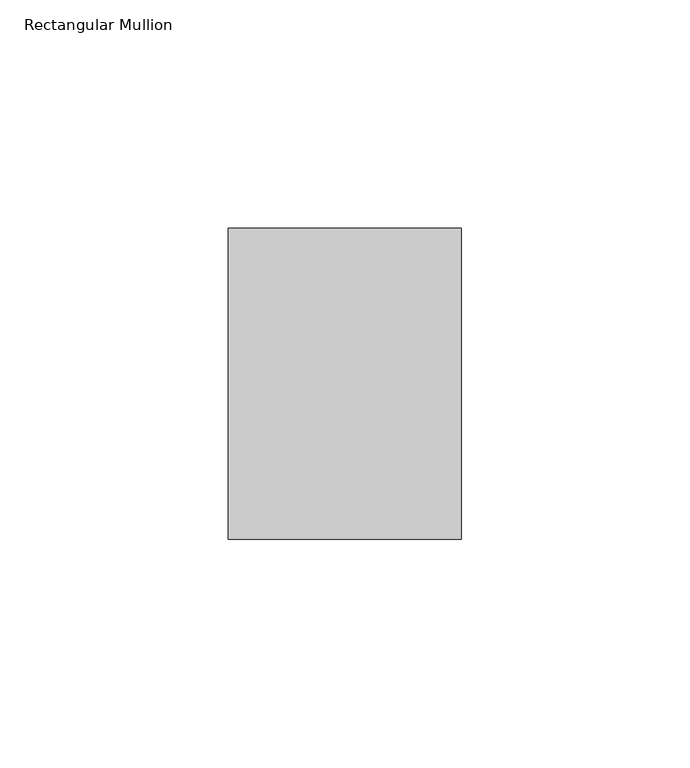
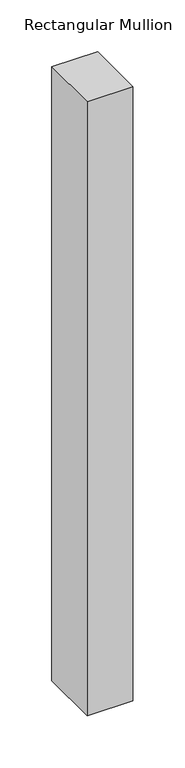
"""IFC4 building model written with IfcOpenShell, lengths in millimetres: member geometry, Rectangular Mullion."""

from ifc_helpers import new_model, si_unit, frame, origin, place, context, project, spatial, polyline, outline, extrude, source, transform, mapped, element, save


def rectangular_mullion_001e7fb7(model_context):
    return source(origin(), model_context, "Body", "SweptSolid", [
        extrude(outline(polyline([(0.0, 68.0), (0.0, 0.0), (-51.0, 0.0), (-51.0, 68.0), (0.0, 68.0)])), frame((0.0, 0.0, -724.0), z_axis=(0.0, 0.0, 1.0), x_axis=(1.0, 0.0, 0.0)), (0.0, 0.0, 1.0), 724.0),
    ])


if __name__ == "__main__":
    model = new_model("IFC4")
    model_context = context("Model", 3, world=origin())
    ifc_project = project(units=[si_unit("LENGTHUNIT", "METRE", prefix="MILLI")], contexts=[model_context])
    site = spatial("IfcSite", under=ifc_project)
    building = spatial("IfcBuilding", under=site)
    placement = place(None, origin())
    rectangular_mullion_shape = rectangular_mullion_001e7fb7(model_context)
    element("IfcMember", 1, ObjectType="Rectangular Mullion", at=placement, inside=building, context=model_context, shape_type="MappedRepresentation", body=[
        mapped(rectangular_mullion_shape, transform((0.0, 0.0, 0.0), x_axis=(1.0, 0.0, 0.0), y_axis=(0.0, 1.0, 0.0), z_axis=(0.0, 0.0, 1.0))),
    ])
    save(model, "model.ifc")
